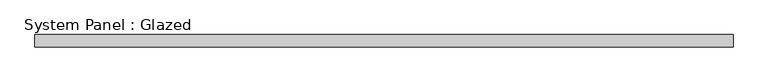
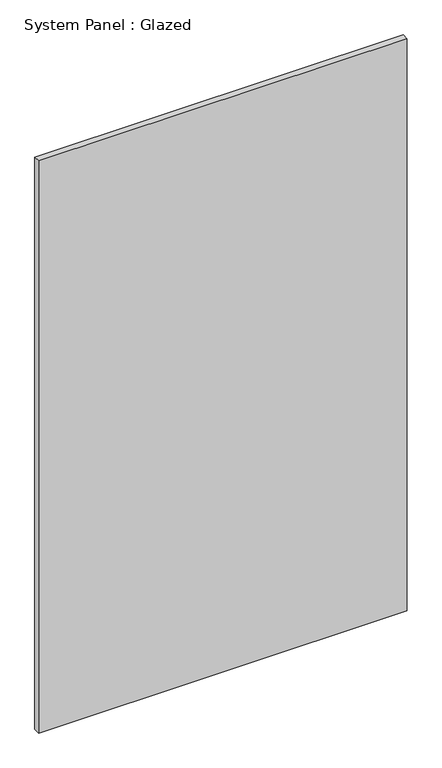
"""IFC4 building model written with IfcOpenShell, lengths in millimetres: plate geometry, System Panel : Glazed."""

from ifc_helpers import new_model, si_unit, origin, origin_with_axes, place, context, project, spatial, polyline, outline, extrude, source, transform, mapped, element, save


def system_panel_glazed_cf647928(model_context):
    return source(origin(), model_context, "Body", "SweptSolid", [
        extrude(outline(polyline([(708.5526316, 24.5), (-708.5526316, 24.5), (-708.5526316, 49.5), (708.5526316, 49.5), (708.5526316, 24.5)])), origin_with_axes(), (0.0, 0.0, 1.0), 2325.0),
    ])


if __name__ == "__main__":
    model = new_model("IFC4")
    model_context = context("Model", 3, world=origin())
    ifc_project = project(units=[si_unit("LENGTHUNIT", "METRE", prefix="MILLI")], contexts=[model_context])
    site = spatial("IfcSite", under=ifc_project)
    building = spatial("IfcBuilding", under=site)
    placement = place(None, origin())
    system_panel_glazed_shape = system_panel_glazed_cf647928(model_context)
    element("IfcPlate", 1, ObjectType="System Panel : Glazed", at=placement, inside=building, context=model_context, shape_type="MappedRepresentation", body=[
        mapped(system_panel_glazed_shape, transform((0.0, 0.0, 0.0), x_axis=(1.0, 0.0, 0.0), y_axis=(0.0, 1.0, 0.0), z_axis=(0.0, 0.0, 1.0))),
    ])
    save(model, "model.ifc")
